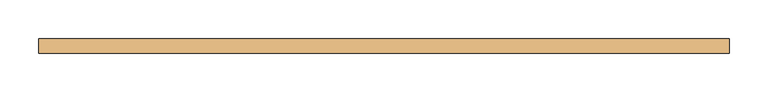
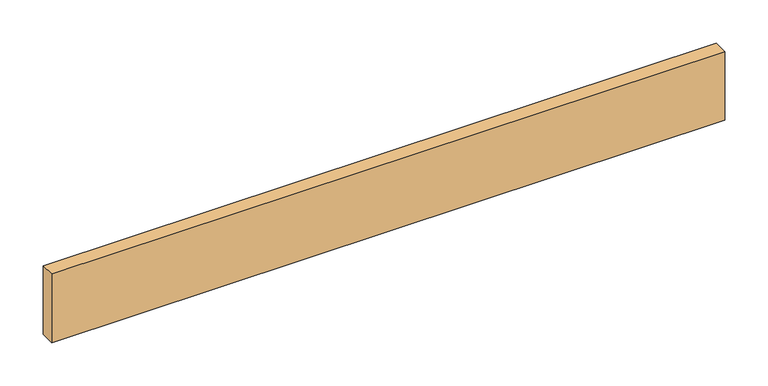
"""IFC4 building model written with IfcOpenShell, lengths in millimetres: door geometry."""

from ifc_helpers import new_model, si_unit, origin, origin_with_axes, place, context, project, spatial, polyline, outline, extrude, source, transform, mapped, element, save


def door_b952a8e5(model_context):
    return source(origin(), model_context, "Body", "SweptSolid", [
        extrude(outline(polyline([(447.7193698, 0.0), (447.7193698, -19.05), (-447.7193698, -19.05), (-447.7193698, 0.0), (447.7193698, 0.0)])), origin_with_axes(), (0.0, 0.0, 1.0), 96.52),
    ])


if __name__ == "__main__":
    model = new_model("IFC4")
    model_context = context("Model", 3, world=origin())
    ifc_project = project(units=[si_unit("LENGTHUNIT", "METRE", prefix="MILLI")], contexts=[model_context])
    site = spatial("IfcSite", under=ifc_project)
    building = spatial("IfcBuilding", under=site)
    placement = place(None, origin())
    door_shape = door_b952a8e5(model_context)
    element("IfcDoor", 1, at=placement, inside=building, context=model_context, shape_type="MappedRepresentation", body=[
        mapped(door_shape, transform((0.0, 0.0, 0.0), x_axis=(1.0, 0.0, 0.0), y_axis=(0.0, 1.0, 0.0), z_axis=(0.0, 0.0, 1.0))),
    ])
    save(model, "model.ifc")
